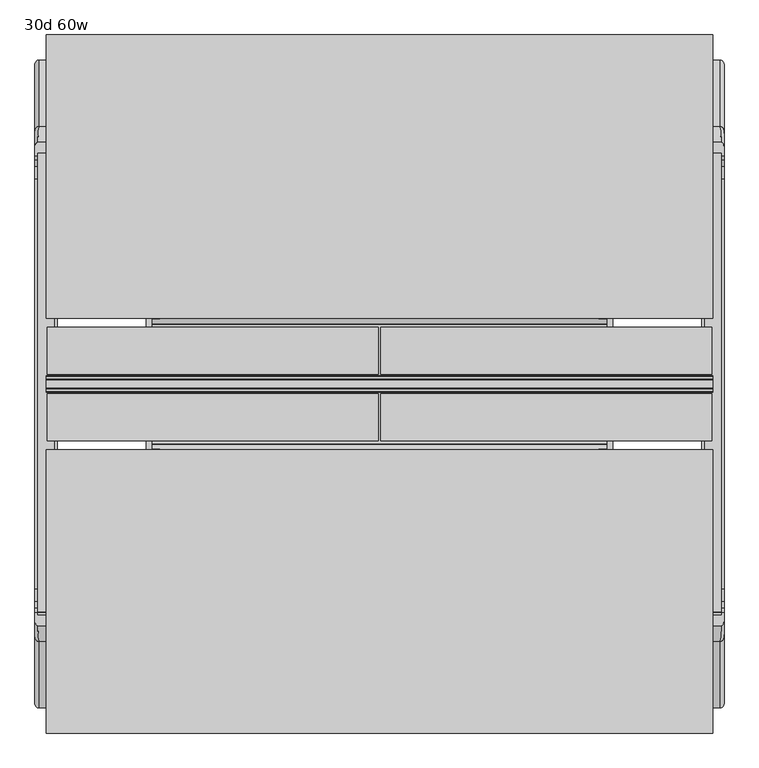
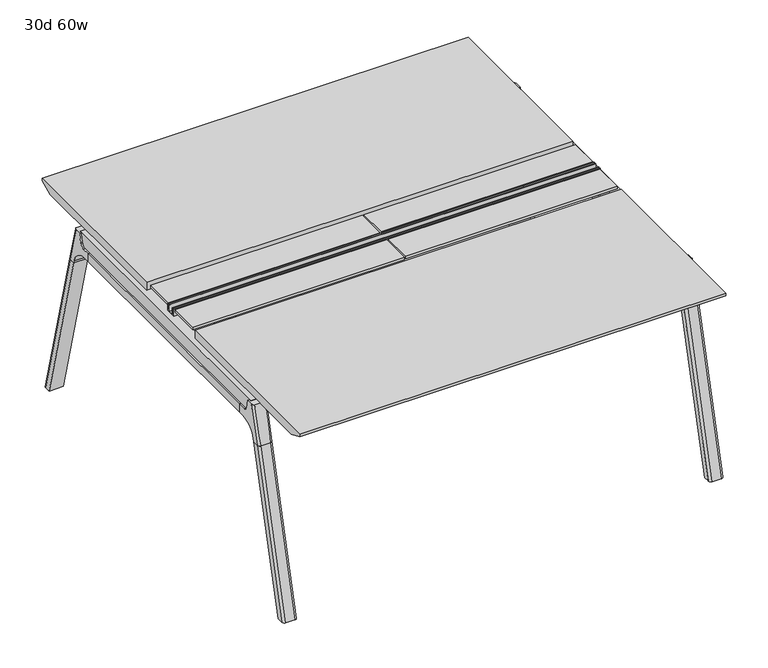
"""IFC4 building model written with IfcOpenShell, lengths in millimetres: furniture geometry, 30d 60w."""

import ifcopenshell
import ifcopenshell.guid

model = None  # the IFC model being written
_history = None  # IfcOwnerHistory: only IFC2X3 demands one
_inside = {}  # id of a spatial element -> (the spatial element, [elements in it])
_under = {}  # id of a project, library or spatial element -> (it, [spatial elements below it])
_declared = {}  # id of a project -> (the project, [libraries it declares])
_typed = {}  # id of a type object -> (the type object, [elements of that type])
_made_of = {}  # id of a material, layer set ... -> (it, [elements and type objects made of it])


def new_model(schema):
    """Start an empty IFC model of exactly this schema.

    Asked for "IFC4X3", IfcOpenShell would pick the latest addendum, in which some entities
    have other attributes; the version numbers below select the first issue.
    IFC2X3 requires an IfcOwnerHistory on every rooted entity: one is made here for all.
    """
    global model, _history
    if schema == "IFC4X3":
        model = ifcopenshell.file(schema_version=(4, 3, 0, 0))
    else:
        model = ifcopenshell.file(schema=schema)
    _inside.clear()
    _under.clear()
    _declared.clear()
    _typed.clear()
    _made_of.clear()
    _history = None
    if model.schema == "IFC2X3":
        org = make("IfcOrganization", Name="unknown")
        user = make(
            "IfcPersonAndOrganization",
            ThePerson=make("IfcPerson", FamilyName="unknown"),
            TheOrganization=org,
        )
        app = make(
            "IfcApplication",
            ApplicationDeveloper=org,
            Version="unknown",
            ApplicationFullName="unknown",
            ApplicationIdentifier="unknown",
        )
        _history = make(
            "IfcOwnerHistory",
            OwningUser=user,
            OwningApplication=app,
            ChangeAction="ADDED",
            CreationDate=0,
        )
    return model


def make(cls, **values):
    """One entity of the class cls with the attributes given. An attribute that is None is left unset."""
    return model.create_entity(
        cls, **{name: value for name, value in values.items() if value is not None}
    )


def rooted(cls, **values):
    """An entity with a GlobalId (a new one), such as an element, a storey or a relation."""
    return make(cls, GlobalId=ifcopenshell.guid.new(), OwnerHistory=_history, **values)


def si_unit(unit_type, name, prefix=None):
    """IfcSIUnit, for example si_unit("LENGTHUNIT", "METRE", prefix="MILLI")."""
    return make("IfcSIUnit", UnitType=unit_type, Prefix=prefix, Name=name)


def assignment(units):
    """IfcUnitAssignment: the units of a project."""
    return None if units is None else make("IfcUnitAssignment", Units=units)


def point(xyz):
    """IfcCartesianPoint."""
    return None if xyz is None else make("IfcCartesianPoint", Coordinates=xyz)


def direction(xyz):
    """IfcDirection."""
    return None if xyz is None else make("IfcDirection", DirectionRatios=xyz)


def frame(location, z_axis=None, x_axis=None):
    """IfcAxis2Placement3D, a coordinate frame: its origin and axes. An axis left out is left unset."""
    return make(
        "IfcAxis2Placement3D",
        Location=point(location),
        Axis=direction(z_axis),
        RefDirection=direction(x_axis),
    )


def frame_2d(location, x_axis=None):
    """IfcAxis2Placement2D, a coordinate frame in the plane: its origin and x axis."""
    return make(
        "IfcAxis2Placement2D", Location=point(location), RefDirection=direction(x_axis)
    )


def origin():
    """The frame at (0, 0, 0) with its axes left unset."""
    return frame((0.0, 0.0, 0.0))


def place(relative_to, where):
    """IfcLocalPlacement: puts the frame where relative to a parent placement (None: the world)."""
    return make(
        "IfcLocalPlacement", PlacementRelTo=relative_to, RelativePlacement=where
    )


def context(
    kind, dimensions, precision=None, world=None, true_north=None, identifier=None
):
    """IfcGeometricRepresentationContext, for example the 3D "Model" context."""
    return make(
        "IfcGeometricRepresentationContext",
        ContextIdentifier=identifier,
        ContextType=kind,
        CoordinateSpaceDimension=dimensions,
        Precision=precision,
        WorldCoordinateSystem=world,
        TrueNorth=true_north,
    )


def project(units=None, contexts=None):
    """IfcProject with its units and contexts."""
    return rooted(
        "IfcProject",
        Name="project",
        RepresentationContexts=contexts,
        UnitsInContext=assignment(units),
    )


def spatial(cls, under=None, at=None, **own):
    """A site, building, storey or space (cls), placed at a placement, below another one or the project."""
    s = rooted(cls, ObjectPlacement=at, **own)
    if under is not None:
        _under.setdefault(under.id(), (under, []))[1].append(s)
    return s


def polyline(points):
    """IfcPolyline through the points."""
    return make("IfcPolyline", Points=[point(p) for p in points])


def circle_curve(where, radius):
    """IfcCircle in the frame where."""
    return make("IfcCircle", Position=where, Radius=radius)


def ellipse_curve(where, semi_axis1, semi_axis2):
    """IfcEllipse in the frame where."""
    return make(
        "IfcEllipse", Position=where, SemiAxis1=semi_axis1, SemiAxis2=semi_axis2
    )


def trimmed(basis, trim1, trim2, sense, master):
    """IfcTrimmedCurve: the piece of a basis curve between two trims."""
    return make(
        "IfcTrimmedCurve",
        BasisCurve=basis,
        Trim1=trim1,
        Trim2=trim2,
        SenseAgreement=sense,
        MasterRepresentation=master,
    )


def segment(curve, same_sense, transition):
    """IfcCompositeCurveSegment."""
    return make(
        "IfcCompositeCurveSegment",
        Transition=transition,
        SameSense=same_sense,
        ParentCurve=curve,
    )


def composite_curve(segments, self_intersect=None):
    """IfcCompositeCurve: segments joined end to end."""
    return make("IfcCompositeCurve", Segments=segments, SelfIntersect=self_intersect)


def outline(outer, holes=None, kind="AREA"):
    """IfcArbitraryClosedProfileDef: a profile drawn as a closed curve; with holes, ...WithVoids."""
    if holes is None:
        return make("IfcArbitraryClosedProfileDef", ProfileType=kind, OuterCurve=outer)
    return make(
        "IfcArbitraryProfileDefWithVoids",
        ProfileType=kind,
        OuterCurve=outer,
        InnerCurves=holes,
    )


def extrude(swept, where, along, depth):
    """IfcExtrudedAreaSolid: the profile swept, set in the frame where, extruded along a direction by depth."""
    return make(
        "IfcExtrudedAreaSolid",
        SweptArea=swept,
        Position=where,
        ExtrudedDirection=direction(along),
        Depth=depth,
    )


def shape(context_of_items, identifier, shape_type, items):
    """IfcShapeRepresentation: the items that make up one representation, for example the "Body"."""
    return make(
        "IfcShapeRepresentation",
        ContextOfItems=context_of_items,
        RepresentationIdentifier=identifier,
        RepresentationType=shape_type,
        Items=items,
    )


def source(mapping_origin, context_of_items, identifier, shape_type, items):
    """IfcRepresentationMap: a shape defined once, which mapped items show again and again."""
    return make(
        "IfcRepresentationMap",
        MappingOrigin=mapping_origin,
        MappedRepresentation=shape(context_of_items, identifier, shape_type, items),
    )


def transform(
    local_origin,
    x_axis=None,
    y_axis=None,
    z_axis=None,
    scale=None,
    scale2=None,
    scale3=None,
    uniform=True,
):
    """IfcCartesianTransformationOperator3D, or its non-uniform kind. x_axis, y_axis, z_axis: its Axis1, 2, 3."""
    if uniform:
        return make(
            "IfcCartesianTransformationOperator3D",
            Axis1=direction(x_axis),
            Axis2=direction(y_axis),
            LocalOrigin=point(local_origin),
            Scale=scale,
            Axis3=direction(z_axis),
        )
    return make(
        "IfcCartesianTransformationOperator3DnonUniform",
        Axis1=direction(x_axis),
        Axis2=direction(y_axis),
        LocalOrigin=point(local_origin),
        Scale=scale,
        Axis3=direction(z_axis),
        Scale2=scale2,
        Scale3=scale3,
    )


def mapped(mapping_source, mapping_target):
    """IfcMappedItem: shows the shape of a source again, moved by a transform."""
    return make(
        "IfcMappedItem", MappingSource=mapping_source, MappingTarget=mapping_target
    )


def made_of(thing, what):
    """Note that an element or type object is made of a material, layer set ...; save() writes the relation."""
    if what is not None:
        _made_of.setdefault(what.id(), (what, []))[1].append(thing)
    return thing


def element(
    cls,
    number,
    at=None,
    inside=None,
    cuts=None,
    type_object=None,
    material=None,
    context=None,
    identifier="Body",
    shape_type=None,
    held_by="IfcProductDefinitionShape",
    body=None,
    shapes=None,
    **own,
):
    """One element of the class cls, such as IfcWall. Its Tag is "e" and its number.

    at: its placement. inside: the storey or other place that contains it. cuts: it is an
    opening in that element (IfcRelVoidsElement). A single representation is given by context,
    identifier, shape_type and body (its items); several are given by shapes. held_by: the class
    of the entity that holds the representations. save() writes the other relations.
    """
    e = rooted(cls, Tag="e%d" % number, ObjectPlacement=at, **own)
    if body is not None:
        shapes = [shape(context, identifier, shape_type, body)]
    if shapes is not None:
        e.Representation = make(held_by, Representations=shapes)
    if inside is not None:
        _inside.setdefault(inside.id(), (inside, []))[1].append(e)
    if cuts is not None:
        rooted(
            "IfcRelVoidsElement", RelatingBuildingElement=cuts, RelatedOpeningElement=e
        )
    if type_object is not None:
        _typed.setdefault(type_object.id(), (type_object, []))[1].append(e)
    return made_of(e, material)


def aggregate(whole, parts):
    """IfcRelAggregates: a whole, such as a stair, and the parts it consists of."""
    return rooted("IfcRelAggregates", RelatingObject=whole, RelatedObjects=parts)


def save(model, path):
    """Write the relations noted so far, then the file.

    IfcRelAggregates (storeys below a building ...), IfcRelContainedInSpatialStructure (elements
    in a storey), IfcRelDefinesByType, IfcRelAssociatesMaterial and IfcRelDeclares: one each for
    every whole, place, type object, material and project.
    """
    for whole, parts in _under.values():
        aggregate(whole, parts)
    for where, things in _inside.values():
        rooted(
            "IfcRelContainedInSpatialStructure",
            RelatedElements=things,
            RelatingStructure=where,
        )
    for kind, things in _typed.values():
        rooted("IfcRelDefinesByType", RelatedObjects=things, RelatingType=kind)
    for what, things in _made_of.values():
        rooted("IfcRelAssociatesMaterial", RelatedObjects=things, RelatingMaterial=what)
    for by, libraries in _declared.values():
        rooted("IfcRelDeclares", RelatingContext=by, RelatedDefinitions=libraries)
    model.write(path)


def plane_surface(at):
    """IfcPlane: the flat surface through the origin of the frame at, square to its z axis."""
    return make("IfcPlane", Position=at)


def cylinder_surface(at, radius):
    """IfcCylindricalSurface: all points at the distance radius from the z axis of the frame at."""
    return make("IfcCylindricalSurface", Position=at, Radius=radius)


def revolved_surface(curve, axis_point, axis_direction):
    """IfcSurfaceOfRevolution: the curve turned about the line through axis_point along axis_direction."""
    return make(
        "IfcSurfaceOfRevolution",
        SweptCurve=make("IfcArbitraryOpenProfileDef", ProfileType="CURVE", Curve=curve),
        AxisPosition=make("IfcAxis1Placement", Location=point(axis_point), Axis=direction(axis_direction)),
    )


def advanced_brep(points, edges, surfaces, faces):
    """IfcAdvancedBrep: a solid bounded by faces that lie on surfaces and meet in shared edges.

    An edge is (start, end): straight between two places in points (the first is 0);
    or (start, end, curve); or (start, end, curve, False) where it runs against its curve.
    A face is (place in surfaces, loops), or (place, loops, False) where it looks against
    its surface's normal. A loop lists edges by number (the first is 1), with a minus sign
    where the edge is run from its end to its start. The first loop is the outer one.
    """
    corners = [point(p) for p in points]
    vertices = [make("IfcVertexPoint", VertexGeometry=c) for c in corners]
    made = []
    for start, end, *more in edges:
        made.append(
            make(
                "IfcEdgeCurve",
                EdgeStart=vertices[start],
                EdgeEnd=vertices[end],
                EdgeGeometry=more[0] if more else make("IfcPolyline", Points=[corners[start], corners[end]]),
                SameSense=more[1] if len(more) > 1 else True,
            )
        )
    hull = []
    for where, loops, *sense in faces:
        bounds = []
        for j, loop in enumerate(loops):
            ring = [make("IfcOrientedEdge", EdgeElement=made[abs(k) - 1], Orientation=k > 0) for k in loop]
            bounds.append(
                make(
                    "IfcFaceOuterBound" if j == 0 else "IfcFaceBound",
                    Bound=make("IfcEdgeLoop", EdgeList=ring),
                    Orientation=True,
                )
            )
        hull.append(make("IfcAdvancedFace", Bounds=bounds, FaceSurface=surfaces[where], SameSense=sense[0] if sense else True))
    return make("IfcAdvancedBrep", Outer=make("IfcClosedShell", CfsFaces=hull))


def furniture_30d_60w_d568743b(model_context):
    return source(origin(), model_context, "Body", "SolidModel", [
        extrude(outline(polyline([(-348.9784469, 559.4636683), (-364.040663, 627.7843353), (-35.4662901, 627.7843353), (-50.5285062, 559.4636683), (-46.7502281, 557.2647146), (-46.7502281, 549.3667827), (-62.6252238, 521.8704736), (-336.8817293, 521.8704736), (-352.756725, 549.3667827), (-352.756725, 557.2647146), (-348.9784469, 559.4636683)])), frame((736.6, 0.0, 0.0), z_axis=(1.0, 0.0, 0.0), x_axis=(0.0, 1.0, 0.0)), (0.0, 0.0, 1.0), 12.7),
        extrude(outline(polyline([(-348.9784469, 559.4636683), (-364.040663, 627.7843353), (-35.4662901, 627.7843353), (-50.5285062, 559.4636683), (-46.7502281, 557.2647146), (-46.7502281, 549.3667827), (-62.6252238, 521.8704736), (-336.8817293, 521.8704736), (-352.756725, 549.3667827), (-352.756725, 557.2647146), (-348.9784469, 559.4636683)])), frame((-317.5, 0.0, 0.0), z_axis=(1.0, 0.0, 0.0), x_axis=(0.0, 1.0, 0.0)), (0.0, 0.0, 1.0), 12.7),
        extrude(outline(polyline([(-18.0090763, 698.5), (3.7767266, 698.5), (3.7767266, 697.2935087), (-17.4495292, 697.2935087), (-19.0070753, 695.7359626), (-49.1186716, 559.1528512), (-50.5285062, 559.4636683), (-20.404074, 696.1050023), (-18.0090763, 698.5)])), frame((-317.5, 0.0, 0.0), z_axis=(1.0, 0.0, 0.0), x_axis=(0.0, 1.0, 0.0)), (0.0, 0.0, 1.0), 31.8008024),
        extrude(outline(polyline([(-381.4978768, 698.5), (-379.1028791, 696.1050023), (-348.9784469, 559.4636683), (-350.3882815, 559.1528512), (-380.4998778, 695.7359626), (-382.0574239, 697.2935087), (-403.2836797, 697.2935087), (-403.2836797, 698.5), (-381.4978768, 698.5)])), frame((-317.5, 0.0, 0.0), z_axis=(1.0, 0.0, 0.0), x_axis=(0.0, 1.0, 0.0)), (0.0, 0.0, 1.0), 31.8008024),
        extrude(outline(polyline([(-18.0090763, 698.5), (3.7767266, 698.5), (3.7767266, 697.2935087), (-17.4495292, 697.2935087), (-19.0070753, 695.7359626), (-49.1186716, 559.1528512), (-50.5285062, 559.4636683), (-20.404074, 696.1050023), (-18.0090763, 698.5)])), frame((717.4991976, 0.0, 0.0), z_axis=(1.0, 0.0, 0.0), x_axis=(0.0, 1.0, 0.0)), (0.0, 0.0, 1.0), 31.8008024),
        extrude(outline(polyline([(-381.4978768, 698.5), (-379.1028791, 696.1050023), (-348.9784469, 559.4636683), (-350.3882815, 559.1528512), (-380.4998778, 695.7359626), (-382.0574239, 697.2935087), (-403.2836797, 697.2935087), (-403.2836797, 698.5), (-381.4978768, 698.5)])), frame((717.4991976, 0.0, 0.0), z_axis=(1.0, 0.0, 0.0), x_axis=(0.0, 1.0, 0.0)), (0.0, 0.0, 1.0), 31.8008024),
        extrude(outline(polyline([(-353.550475, 557.5934966), (-351.518477, 559.6254947), (-350.957211, 559.0642287), (-352.756725, 557.2647146), (-352.756725, 549.3667827), (-352.5317745, 548.5272622), (-337.4390802, 522.3859395), (-336.0037101, 521.5572272), (-63.503243, 521.5572272), (-62.0678729, 522.3859395), (-46.9751786, 548.5272622), (-46.7502281, 549.3667827), (-46.7502281, 557.2647146), (-48.5497421, 559.0642287), (-47.9884761, 559.6254947), (-45.9564781, 557.5934966), (-45.9564781, 549.2622828), (-46.2355217, 548.2208856), (-61.4868074, 521.8048744), (-63.2905581, 520.7634772), (-336.216395, 520.7634772), (-338.0201457, 521.8048744), (-353.2714314, 548.2208856), (-353.550475, 549.2622828), (-353.550475, 557.5934966)])), frame((-317.4492037, 0.0, 0.0), z_axis=(1.0, 0.0, 0.0), x_axis=(0.0, 1.0, 0.0)), (0.0, 0.0, 1.0), 1066.7492037),
        extrude(outline(polyline([(-218.8034766, 715.9625), (-218.8034766, 741.3625), (-217.2159766, 741.3625), (-217.2159766, 720.725), (-210.8659766, 720.725), (-210.8659766, 741.3625), (-209.2784766, 741.3625), (-209.2784766, 717.55), (-190.2284766, 717.55), (-190.2284766, 741.3625), (-188.6409766, 741.3625), (-188.6409766, 720.725), (-182.2909766, 720.725), (-182.2909766, 741.3625), (-180.7034766, 741.3625), (-180.7034766, 715.9625), (-218.8034766, 715.9625)])), frame((-546.1, 0.0, 0.0), z_axis=(1.0, 0.0, 0.0), x_axis=(0.0, 1.0, 0.0)), (0.0, 0.0, 1.0), 1524.0),
        extrude(outline(composite_curve([segment(polyline([(328.0902734, 711.2), (319.0321726, 677.3947076)]), True, "CONTINUOUS"), segment(trimmed(circle_curve(frame_2d((303.6981001, 681.5034599)), 15.875), [point((319.0321726, 677.3947076))], [point((303.6981001, 665.6284599))], False, "CARTESIAN"), True, "CONTINUOUS"), segment(polyline([(303.6981001, 665.6284599), (-703.2050533, 665.6284599)]), True, "CONTINUOUS"), segment(trimmed(circle_curve(frame_2d((-703.2050533, 681.5034599)), 15.875), [point((-703.2050533, 665.6284599))], [point((-718.5391258, 677.3947076))], False, "CARTESIAN"), True, "CONTINUOUS"), segment(polyline([(-718.5391258, 677.3947076), (-727.5972266, 711.2), (328.0902734, 711.2)]), True, "CONTINUOUS")], self_intersect=False)), frame((958.85, 0.0, 0.0), z_axis=(1.0, 0.0, 0.0), x_axis=(0.0, 1.0, 0.0)), (0.0, 0.0, 1.0), 38.1),
        extrude(outline(polyline([(1003.3, 267.7652734), (1003.3, -667.2722266), (952.5, -667.2722266), (952.5, 267.7652734), (1003.3, 267.7652734)])), frame((0.0, 0.0, 635.6476591), z_axis=(0.0, 0.0, 1.0), x_axis=(1.0, 0.0, 0.0)), (0.0, 0.0, 1.0), 29.9808008),
        extrude(outline(composite_curve([segment(polyline([(328.0902734, 711.2), (319.0321726, 677.3947076)]), True, "CONTINUOUS"), segment(trimmed(circle_curve(frame_2d((303.6981001, 681.5034599)), 15.875), [point((319.0321726, 677.3947076))], [point((303.6981001, 665.6284599))], False, "CARTESIAN"), True, "CONTINUOUS"), segment(polyline([(303.6981001, 665.6284599), (-703.2050533, 665.6284599)]), True, "CONTINUOUS"), segment(trimmed(circle_curve(frame_2d((-703.2050533, 681.5034599)), 15.875), [point((-703.2050533, 665.6284599))], [point((-718.5391258, 677.3947076))], False, "CARTESIAN"), True, "CONTINUOUS"), segment(polyline([(-718.5391258, 677.3947076), (-727.5972266, 711.2), (328.0902734, 711.2)]), True, "CONTINUOUS")], self_intersect=False)), frame((-565.15, 0.0, 0.0), z_axis=(1.0, 0.0, 0.0), x_axis=(0.0, 1.0, 0.0)), (0.0, 0.0, 1.0), 38.1),
        extrude(outline(polyline([(-520.7, 267.7652734), (-520.7, -667.2722266), (-571.5, -667.2722266), (-571.5, 267.7652734), (-520.7, 267.7652734)])), frame((0.0, 0.0, 635.6476591), z_axis=(0.0, 0.0, 1.0), x_axis=(1.0, 0.0, 0.0)), (0.0, 0.0, 1.0), 29.9808008),
        advanced_brep(
        [(952.5, -721.2935553, 711.2), (952.5, -712.2354545, 677.3947076), (952.5, -696.901382, 665.6284599), (952.5, -667.2722266, 665.6284599), (952.5, -667.2722266, 635.6476591), (952.5, -690.1434588, 635.6476591), (952.5, -754.5465633, 586.2294189), (952.5, -757.1047754, 576.6820411), (952.5, -778.2087453, 576.6820411), (952.5, -742.7601017, 711.2), (1003.3, -757.1047754, 576.6820411), (1003.3, -754.5465633, 586.2294189), (1003.3, -690.1434588, 635.6476591), (1003.3, -667.2722266, 635.6476591), (1003.3, -667.2722266, 665.6284599), (1003.3, -696.901382, 665.6284599), (1003.3, -712.2354545, 677.3947076), (1003.3, -721.2935553, 711.2), (1003.3, -742.7601017, 711.2), (1003.3, -778.2087453, 576.6820411), (958.7638162, -752.0149462, 711.2), (997.0361838, -752.0149462, 711.2), (993.775, -788.0589247, 576.6820411), (962.025, -788.0589247, 576.6820411)],
        [
            (0, 1),
            (1, 2, circle_curve(frame((952.5, -696.901382, 681.5034599), z_axis=(1.0, 0.0, 0.0), x_axis=(0.0, -1.0, 0.0)), 15.875)),
            (2, 3),
            (3, 4),
            (4, 5),
            (5, 6, circle_curve(frame((952.5, -690.1434588, 568.9726591), z_axis=(1.0, 0.0, 0.0), x_axis=(0.0, -1.0, 0.0)), 66.675)),
            (6, 7),
            (7, 8),
            (8, 9),
            (9, 0),
            (10, 11),
            (11, 12, circle_curve(frame((1003.3, -690.1434588, 568.9726591), z_axis=(-1.0, 0.0, 0.0), x_axis=(0.0, -1.0, 0.0)), 66.675)),
            (12, 13),
            (13, 14),
            (14, 15),
            (15, 16, circle_curve(frame((1003.3, -696.901382, 681.5034599), z_axis=(-1.0, 0.0, 0.0), x_axis=(0.0, -1.0, 0.0)), 15.875)),
            (16, 17),
            (17, 18),
            (18, 19),
            (19, 10),
            (17, 0),
            (9, 20, ellipse_curve(frame((962.025, -742.7601017, 711.2), z_axis=(0.0, 0.0, 1.0), x_axis=(0.0, -1.0, 0.0)), 9.8501793, 9.525)),
            (20, 21),
            (21, 18, ellipse_curve(frame((993.775, -742.7601017, 711.2), z_axis=(0.0, 0.0, 1.0), x_axis=(0.0, -1.0, 0.0)), 9.8501793, 9.525)),
            (16, 1),
            (15, 2),
            (14, 3),
            (13, 4),
            (12, 5),
            (11, 6),
            (10, 7),
            (19, 22, ellipse_curve(frame((993.775, -778.2087453, 576.6820411), z_axis=(0.0, 0.0, -1.0), x_axis=(0.0, -1.0, 0.0)), 9.8501793, 9.525)),
            (22, 23),
            (23, 8, ellipse_curve(frame((962.025, -778.2087453, 576.6820411), z_axis=(0.0, 0.0, -1.0), x_axis=(0.0, -1.0, 0.0)), 9.8501793, 9.525)),
            (20, 23, ellipse_curve(frame((962.025, -191.6892106, 2802.3641142), z_axis=(0.0, -0.9659258262890684, 0.2588190451025206), x_axis=(0.0, -0.2588190451025206, -0.9659258262890684)), 2304.1956354, 9.525)),
            (22, 21, ellipse_curve(frame((993.775, -191.6892106, 2802.3641142), z_axis=(0.0, -0.9659258262890684, 0.2588190451025206), x_axis=(0.0, -0.2588190451025206, -0.9659258262890684)), 2304.1956354, 9.525)),
        ],
        [
            plane_surface(frame((952.5, -752.0149462, 711.2), z_axis=(-1.0, 0.0, 0.0), x_axis=(0.0, 1.0, 0.0))),
            plane_surface(frame((1003.3, -752.0149462, 711.2), z_axis=(1.0, 0.0, 0.0), x_axis=(0.0, -1.0, 0.0))),
            plane_surface(frame((952.5, -752.0149462, 711.2), z_axis=(0.0, 0.0, 1.0), x_axis=(1.0, 0.0, 0.0))),
            plane_surface(frame((952.5, -721.2935553, 711.2), z_axis=(0.0, 0.9659258262890683, 0.2588190451025207), x_axis=(1.0, 0.0, 0.0))),
            revolved_surface(polyline([(1003.3, -712.776382, 681.5034599), (952.5, -712.776382, 681.5034599)]), (1003.3, -696.901382, 681.5034599), (1.0, 0.0, 0.0)),
            plane_surface(frame((952.5, -696.901382, 665.6284599), z_axis=(0.0, 0.0, 1.0), x_axis=(1.0, 0.0, 0.0))),
            plane_surface(frame((952.5, -667.2722266, 665.6284599), z_axis=(0.0, 1.0, 0.0), x_axis=(1.0, 0.0, 0.0))),
            plane_surface(frame((952.5, -667.2722266, 635.6476591), z_axis=(0.0, 0.0, -1.0), x_axis=(1.0, 0.0, 0.0))),
            revolved_surface(polyline([(1003.3, -756.8184587999999, 568.9726591), (952.5, -756.8184587999999, 568.9726591)]), (1003.3, -690.1434588, 568.9726591), (1.0, 0.0, 0.0)),
            plane_surface(frame((952.5, -754.5465633, 586.2294189), z_axis=(0.0, 0.9659258262890693, -0.25881904510251696), x_axis=(1.0, 0.0, 0.0))),
            plane_surface(frame((952.5, -757.1047754, 576.6820411), z_axis=(0.0, 0.0, -1.0), x_axis=(1.0, 0.0, 0.0))),
            plane_surface(frame((952.5, -788.0589247, 576.6820411), z_axis=(0.0, -0.9659258262890684, 0.2588190451025206), x_axis=(1.0, 0.0, 0.0))),
            cylinder_surface(frame((962.025, -930.8176402, -2.4271979), z_axis=(0.0, -0.25482392474081483, -0.966987470125486), x_axis=(1.0, 0.0, 0.0)), 9.525),
            cylinder_surface(frame((993.775, -930.8176402, -2.4271979), z_axis=(0.0, -0.25482392474081483, -0.966987470125486), x_axis=(1.0, 0.0, 0.0)), 9.525),
        ],
        [
            (0, [[1, 2, 3, 4, 5, 6, 7, 8, 9, 10]]),
            (1, [[11, 12, 13, 14, 15, 16, 17, 18, 19, 20]]),
            (2, [[21, -10, 22, 23, 24, -18]]),
            (3, [[-1, -21, -17, 25]]),
            (4, [[-2, -25, -16, 26]]),
            (5, [[-3, -26, -15, 27]]),
            (6, [[-4, -27, -14, 28]]),
            (7, [[-5, -28, -13, 29]]),
            (8, [[-6, -29, -12, 30]]),
            (9, [[-7, -30, -11, 31]]),
            (10, [[-31, -20, 32, 33, 34, -8]]),
            (11, [[-23, 35, -33, 36]]),
            (12, [[-9, -34, -35, -22]]),
            (13, [[-19, -24, -36, -32]]),
        ],
    ),
        advanced_brep(
        [(952.5, -757.1047754, 576.6820411), (952.5, -909.0740466, 0.0), (952.5, -930.1780165, 0.0), (952.5, -778.2087453, 576.6820411), (1003.3, -909.0740466, 0.0), (1003.3, -757.1047754, 576.6820411), (1003.3, -778.2087453, 576.6820411), (1003.3, -930.1780165, 0.0), (962.025, -788.0589247, 576.6820411), (993.775, -788.0589247, 576.6820411), (993.775, -940.0281958, 0.0), (962.025, -940.0281958, 0.0)],
        [
            (0, 1),
            (1, 2),
            (2, 3),
            (3, 0),
            (4, 5),
            (5, 6),
            (6, 7),
            (7, 4),
            (5, 0),
            (3, 8, ellipse_curve(frame((962.025, -778.2087453, 576.6820411), z_axis=(0.0, 0.0, 1.0), x_axis=(0.0, -1.0, 0.0)), 9.8501793, 9.525)),
            (8, 9),
            (9, 6, ellipse_curve(frame((993.775, -778.2087453, 576.6820411), z_axis=(0.0, 0.0, 1.0), x_axis=(0.0, -1.0, 0.0)), 9.8501793, 9.525)),
            (4, 1),
            (7, 10, ellipse_curve(frame((993.775, -930.1780165, 0.0), z_axis=(0.0, 0.0, -1.0), x_axis=(0.0, -1.0, 0.0)), 9.8501793, 9.525)),
            (10, 11),
            (11, 2, ellipse_curve(frame((962.025, -930.1780165, 0.0), z_axis=(0.0, 0.0, -1.0), x_axis=(0.0, -1.0, 0.0)), 9.8501793, 9.525)),
            (8, 11),
            (10, 9),
        ],
        [
            plane_surface(frame((952.5, -788.0589247, 576.6820411), z_axis=(-1.0, 0.0, 0.0), x_axis=(0.0, 1.0, 0.0))),
            plane_surface(frame((1003.3, -788.0589247, 576.6820411), z_axis=(1.0, 0.0, 0.0), x_axis=(0.0, -1.0, 0.0))),
            plane_surface(frame((952.5, -788.0589247, 576.6820411), z_axis=(0.0, 0.0, 1.0), x_axis=(1.0, 0.0, 0.0))),
            plane_surface(frame((952.5, -757.1047754, 576.6820411), z_axis=(0.0, 0.9669874701254844, -0.2548239247408208), x_axis=(1.0, 0.0, 0.0))),
            plane_surface(frame((952.5, -909.0740466, 0.0), z_axis=(0.0, 0.0, -1.0), x_axis=(1.0, 0.0, 0.0))),
            plane_surface(frame((952.5, -940.0281958, 0.0), z_axis=(0.0, -0.9669874701254855, 0.2548239247408166), x_axis=(1.0, 0.0, 0.0))),
            cylinder_surface(frame((962.025, -930.8176402, -2.4271979), z_axis=(0.0, -0.25482392474081483, -0.966987470125486), x_axis=(1.0, 0.0, 0.0)), 9.525),
            cylinder_surface(frame((993.775, -930.8176402, -2.4271979), z_axis=(0.0, -0.25482392474081483, -0.966987470125486), x_axis=(1.0, 0.0, 0.0)), 9.525),
        ],
        [
            (0, [[1, 2, 3, 4]]),
            (1, [[5, 6, 7, 8]]),
            (2, [[9, -4, 10, 11, 12, -6]]),
            (3, [[-1, -9, -5, 13]]),
            (4, [[-13, -8, 14, 15, 16, -2]]),
            (5, [[-11, 17, -15, 18]]),
            (6, [[-3, -16, -17, -10]]),
            (7, [[-7, -12, -18, -14]]),
        ],
    ),
        advanced_brep(
        [(1003.3, 321.7866022, 711.2), (1003.3, 312.7285014, 677.3947076), (1003.3, 297.3944289, 665.6284599), (1003.3, 267.7652734, 665.6284599), (1003.3, 267.7652734, 635.6476591), (1003.3, 290.6365057, 635.6476591), (1003.3, 355.0396101, 586.2294189), (1003.3, 357.5978223, 576.6820411), (1003.3, 378.7017922, 576.6820411), (1003.3, 343.2531486, 711.2), (952.5, 357.5978223, 576.6820411), (952.5, 355.0396101, 586.2294189), (952.5, 290.6365057, 635.6476591), (952.5, 267.7652734, 635.6476591), (952.5, 267.7652734, 665.6284599), (952.5, 297.3944289, 665.6284599), (952.5, 312.7285014, 677.3947076), (952.5, 321.7866022, 711.2), (952.5, 343.2531486, 711.2), (952.5, 378.7017922, 576.6820411), (997.0361838, 352.5079931, 711.2), (958.7638162, 352.5079931, 711.2), (962.025, 388.5519716, 576.6820411), (993.775, 388.5519716, 576.6820411)],
        [
            (0, 1),
            (1, 2, circle_curve(frame((1003.3, 297.3944289, 681.5034599), z_axis=(-1.0, 0.0, 0.0), x_axis=(0.0, 1.0, 0.0)), 15.875)),
            (2, 3),
            (3, 4),
            (4, 5),
            (5, 6, circle_curve(frame((1003.3, 290.6365057, 568.9726591), z_axis=(-1.0, 0.0, 0.0), x_axis=(0.0, 1.0, 0.0)), 66.675)),
            (6, 7),
            (7, 8),
            (8, 9),
            (9, 0),
            (10, 11),
            (11, 12, circle_curve(frame((952.5, 290.6365057, 568.9726591), z_axis=(1.0, 0.0, 0.0), x_axis=(0.0, 1.0, 0.0)), 66.675)),
            (12, 13),
            (13, 14),
            (14, 15),
            (15, 16, circle_curve(frame((952.5, 297.3944289, 681.5034599), z_axis=(1.0, 0.0, 0.0), x_axis=(0.0, 1.0, 0.0)), 15.875)),
            (16, 17),
            (17, 18),
            (18, 19),
            (19, 10),
            (17, 0),
            (9, 20, ellipse_curve(frame((993.775, 343.2531486, 711.2), z_axis=(0.0, 0.0, 1.0), x_axis=(0.0, 1.0, 0.0)), 9.8501793, 9.525)),
            (20, 21),
            (21, 18, ellipse_curve(frame((962.025, 343.2531486, 711.2), z_axis=(0.0, 0.0, 1.0), x_axis=(0.0, 1.0, 0.0)), 9.8501793, 9.525)),
            (16, 1),
            (15, 2),
            (14, 3),
            (13, 4),
            (12, 5),
            (11, 6),
            (10, 7),
            (19, 22, ellipse_curve(frame((962.025, 378.7017922, 576.6820411), z_axis=(0.0, 0.0, -1.0), x_axis=(0.0, 1.0, 0.0)), 9.8501793, 9.525)),
            (22, 23),
            (23, 8, ellipse_curve(frame((993.775, 378.7017922, 576.6820411), z_axis=(0.0, 0.0, -1.0), x_axis=(0.0, 1.0, 0.0)), 9.8501793, 9.525)),
            (20, 23, ellipse_curve(frame((993.775, -207.8177425, 2802.3641142), z_axis=(0.0, 0.9659258262890684, 0.2588190451025206), x_axis=(0.0, 0.2588190451025206, -0.9659258262890684)), 2304.1956354, 9.525)),
            (22, 21, ellipse_curve(frame((962.025, -207.8177425, 2802.3641142), z_axis=(0.0, 0.9659258262890684, 0.2588190451025206), x_axis=(0.0, 0.2588190451025206, -0.9659258262890684)), 2304.1956354, 9.525)),
        ],
        [
            plane_surface(frame((1003.3, 352.5079931, 711.2), z_axis=(1.0, 0.0, 0.0), x_axis=(0.0, -1.0, 0.0))),
            plane_surface(frame((952.5, 352.5079931, 711.2), z_axis=(-1.0, 0.0, 0.0), x_axis=(0.0, 1.0, 0.0))),
            plane_surface(frame((1003.3, 352.5079931, 711.2), z_axis=(0.0, 0.0, 1.0), x_axis=(-1.0, 0.0, 0.0))),
            plane_surface(frame((1003.3, 321.7866022, 711.2), z_axis=(0.0, -0.9659258262890683, 0.2588190451025207), x_axis=(-1.0, 0.0, 0.0))),
            revolved_surface(polyline([(952.5, 313.2694289, 681.5034599), (1003.3, 313.2694289, 681.5034599)]), (952.5, 297.3944289, 681.5034599), (-1.0, 0.0, 0.0)),
            plane_surface(frame((1003.3, 297.3944289, 665.6284599), z_axis=(0.0, 0.0, 1.0), x_axis=(-1.0, 0.0, 0.0))),
            plane_surface(frame((1003.3, 267.7652734, 665.6284599), z_axis=(0.0, -1.0, 0.0), x_axis=(-1.0, 0.0, 0.0))),
            plane_surface(frame((1003.3, 267.7652734, 635.6476591), z_axis=(0.0, 0.0, -1.0), x_axis=(-1.0, 0.0, 0.0))),
            revolved_surface(polyline([(952.5, 357.3115057, 568.9726591), (1003.3, 357.3115057, 568.9726591)]), (952.5, 290.6365057, 568.9726591), (-1.0, 0.0, 0.0)),
            plane_surface(frame((1003.3, 355.0396101, 586.2294189), z_axis=(0.0, -0.9659258262890693, -0.25881904510251696), x_axis=(-1.0, 0.0, 0.0))),
            plane_surface(frame((1003.3, 357.5978223, 576.6820411), z_axis=(0.0, 0.0, -1.0), x_axis=(-1.0, 0.0, 0.0))),
            plane_surface(frame((1003.3, 388.5519716, 576.6820411), z_axis=(0.0, 0.9659258262890684, 0.2588190451025206), x_axis=(-1.0, 0.0, 0.0))),
            cylinder_surface(frame((993.775, 531.3106871, -2.4271979), z_axis=(0.0, 0.25482392474081483, -0.966987470125486), x_axis=(-1.0, 0.0, 0.0)), 9.525),
            cylinder_surface(frame((962.025, 531.3106871, -2.4271979), z_axis=(0.0, 0.25482392474081483, -0.966987470125486), x_axis=(-1.0, 0.0, 0.0)), 9.525),
        ],
        [
            (0, [[1, 2, 3, 4, 5, 6, 7, 8, 9, 10]]),
            (1, [[11, 12, 13, 14, 15, 16, 17, 18, 19, 20]]),
            (2, [[21, -10, 22, 23, 24, -18]]),
            (3, [[-1, -21, -17, 25]]),
            (4, [[-2, -25, -16, 26]]),
            (5, [[-3, -26, -15, 27]]),
            (6, [[-4, -27, -14, 28]]),
            (7, [[-5, -28, -13, 29]]),
            (8, [[-6, -29, -12, 30]]),
            (9, [[-7, -30, -11, 31]]),
            (10, [[-31, -20, 32, 33, 34, -8]]),
            (11, [[-23, 35, -33, 36]]),
            (12, [[-9, -34, -35, -22]]),
            (13, [[-19, -24, -36, -32]]),
        ],
    ),
        advanced_brep(
        [(1003.3, 357.5978223, 576.6820411), (1003.3, 509.5670935, 0.0), (1003.3, 530.6710634, 0.0), (1003.3, 378.7017922, 576.6820411), (952.5, 509.5670935, 0.0), (952.5, 357.5978223, 576.6820411), (952.5, 378.7017922, 576.6820411), (952.5, 530.6710634, 0.0), (993.775, 388.5519716, 576.6820411), (962.025, 388.5519716, 576.6820411), (962.025, 540.5212427, 0.0), (993.775, 540.5212427, 0.0)],
        [
            (0, 1),
            (1, 2),
            (2, 3),
            (3, 0),
            (4, 5),
            (5, 6),
            (6, 7),
            (7, 4),
            (5, 0),
            (3, 8, ellipse_curve(frame((993.775, 378.7017922, 576.6820411), z_axis=(0.0, 0.0, 1.0), x_axis=(0.0, 1.0, 0.0)), 9.8501793, 9.525)),
            (8, 9),
            (9, 6, ellipse_curve(frame((962.025, 378.7017922, 576.6820411), z_axis=(0.0, 0.0, 1.0), x_axis=(0.0, 1.0, 0.0)), 9.8501793, 9.525)),
            (4, 1),
            (7, 10, ellipse_curve(frame((962.025, 530.6710634, 0.0), z_axis=(0.0, 0.0, -1.0), x_axis=(0.0, 1.0, 0.0)), 9.8501793, 9.525)),
            (10, 11),
            (11, 2, ellipse_curve(frame((993.775, 530.6710634, 0.0), z_axis=(0.0, 0.0, -1.0), x_axis=(0.0, 1.0, 0.0)), 9.8501793, 9.525)),
            (8, 11),
            (10, 9),
        ],
        [
            plane_surface(frame((1003.3, 388.5519716, 576.6820411), z_axis=(1.0, 0.0, 0.0), x_axis=(0.0, -1.0, 0.0))),
            plane_surface(frame((952.5, 388.5519716, 576.6820411), z_axis=(-1.0, 0.0, 0.0), x_axis=(0.0, 1.0, 0.0))),
            plane_surface(frame((1003.3, 388.5519716, 576.6820411), z_axis=(0.0, 0.0, 1.0), x_axis=(-1.0, 0.0, 0.0))),
            plane_surface(frame((1003.3, 357.5978223, 576.6820411), z_axis=(0.0, -0.9669874701254844, -0.2548239247408208), x_axis=(-1.0, 0.0, 0.0))),
            plane_surface(frame((1003.3, 509.5670935, 0.0), z_axis=(0.0, 0.0, -1.0), x_axis=(-1.0, 0.0, 0.0))),
            plane_surface(frame((1003.3, 540.5212427, 0.0), z_axis=(0.0, 0.9669874701254855, 0.2548239247408166), x_axis=(-1.0, 0.0, 0.0))),
            cylinder_surface(frame((993.775, 531.3106871, -2.4271979), z_axis=(0.0, 0.25482392474081483, -0.966987470125486), x_axis=(-1.0, 0.0, 0.0)), 9.525),
            cylinder_surface(frame((962.025, 531.3106871, -2.4271979), z_axis=(0.0, 0.25482392474081483, -0.966987470125486), x_axis=(-1.0, 0.0, 0.0)), 9.525),
        ],
        [
            (0, [[1, 2, 3, 4]]),
            (1, [[5, 6, 7, 8]]),
            (2, [[9, -4, 10, 11, 12, -6]]),
            (3, [[-1, -9, -5, 13]]),
            (4, [[-13, -8, 14, 15, 16, -2]]),
            (5, [[-11, 17, -15, 18]]),
            (6, [[-3, -16, -17, -10]]),
            (7, [[-7, -12, -18, -14]]),
        ],
    ),
        advanced_brep(
        [(-520.7, 321.7866022, 711.2), (-520.7, 312.7285014, 677.3947076), (-520.7, 297.3944289, 665.6284599), (-520.7, 267.7652734, 665.6284599), (-520.7, 267.7652734, 635.6476591), (-520.7, 290.6365057, 635.6476591), (-520.7, 355.0396101, 586.2294189), (-520.7, 357.5978223, 576.6820411), (-520.7, 378.7017922, 576.6820411), (-520.7, 343.2531486, 711.2), (-571.5, 357.5978223, 576.6820411), (-571.5, 355.0396101, 586.2294189), (-571.5, 290.6365057, 635.6476591), (-571.5, 267.7652734, 635.6476591), (-571.5, 267.7652734, 665.6284599), (-571.5, 297.3944289, 665.6284599), (-571.5, 312.7285014, 677.3947076), (-571.5, 321.7866022, 711.2), (-571.5, 343.2531486, 711.2), (-571.5, 378.7017922, 576.6820411), (-526.9638162, 352.5079931, 711.2), (-565.2361838, 352.5079931, 711.2), (-561.975, 388.5519716, 576.6820411), (-530.225, 388.5519716, 576.6820411)],
        [
            (0, 1),
            (1, 2, circle_curve(frame((-520.7, 297.3944289, 681.5034599), z_axis=(-1.0, 0.0, 0.0), x_axis=(0.0, 1.0, 0.0)), 15.875)),
            (2, 3),
            (3, 4),
            (4, 5),
            (5, 6, circle_curve(frame((-520.7, 290.6365057, 568.9726591), z_axis=(-1.0, 0.0, 0.0), x_axis=(0.0, 1.0, 0.0)), 66.675)),
            (6, 7),
            (7, 8),
            (8, 9),
            (9, 0),
            (10, 11),
            (11, 12, circle_curve(frame((-571.5, 290.6365057, 568.9726591), z_axis=(1.0, 0.0, 0.0), x_axis=(0.0, 1.0, 0.0)), 66.675)),
            (12, 13),
            (13, 14),
            (14, 15),
            (15, 16, circle_curve(frame((-571.5, 297.3944289, 681.5034599), z_axis=(1.0, 0.0, 0.0), x_axis=(0.0, 1.0, 0.0)), 15.875)),
            (16, 17),
            (17, 18),
            (18, 19),
            (19, 10),
            (17, 0),
            (9, 20, ellipse_curve(frame((-530.225, 343.2531486, 711.2), z_axis=(0.0, 0.0, 1.0), x_axis=(0.0, 1.0, 0.0)), 9.8501793, 9.525)),
            (20, 21),
            (21, 18, ellipse_curve(frame((-561.975, 343.2531486, 711.2), z_axis=(0.0, 0.0, 1.0), x_axis=(0.0, 1.0, 0.0)), 9.8501793, 9.525)),
            (16, 1),
            (15, 2),
            (14, 3),
            (13, 4),
            (12, 5),
            (11, 6),
            (10, 7),
            (19, 22, ellipse_curve(frame((-561.975, 378.7017922, 576.6820411), z_axis=(0.0, 0.0, -1.0), x_axis=(0.0, 1.0, 0.0)), 9.8501793, 9.525)),
            (22, 23),
            (23, 8, ellipse_curve(frame((-530.225, 378.7017922, 576.6820411), z_axis=(0.0, 0.0, -1.0), x_axis=(0.0, 1.0, 0.0)), 9.8501793, 9.525)),
            (20, 23, ellipse_curve(frame((-530.225, -207.8177425, 2802.3641142), z_axis=(0.0, 0.9659258262890684, 0.2588190451025206), x_axis=(0.0, 0.2588190451025206, -0.9659258262890684)), 2304.1956354, 9.525)),
            (22, 21, ellipse_curve(frame((-561.975, -207.8177425, 2802.3641142), z_axis=(0.0, 0.9659258262890684, 0.2588190451025206), x_axis=(0.0, 0.2588190451025206, -0.9659258262890684)), 2304.1956354, 9.525)),
        ],
        [
            plane_surface(frame((-520.7, 352.5079931, 711.2), z_axis=(1.0, 0.0, 0.0), x_axis=(0.0, -1.0, 0.0))),
            plane_surface(frame((-571.5, 352.5079931, 711.2), z_axis=(-1.0, 0.0, 0.0), x_axis=(0.0, 1.0, 0.0))),
            plane_surface(frame((-520.7, 352.5079931, 711.2), z_axis=(0.0, 0.0, 1.0), x_axis=(-1.0, 0.0, 0.0))),
            plane_surface(frame((-520.7, 321.7866022, 711.2), z_axis=(0.0, -0.9659258262890683, 0.2588190451025207), x_axis=(-1.0, 0.0, 0.0))),
            revolved_surface(polyline([(-571.5, 313.2694289, 681.5034599), (-520.7, 313.2694289, 681.5034599)]), (-571.5, 297.3944289, 681.5034599), (-1.0, 0.0, 0.0)),
            plane_surface(frame((-520.7, 297.3944289, 665.6284599), z_axis=(0.0, 0.0, 1.0), x_axis=(-1.0, 0.0, 0.0))),
            plane_surface(frame((-520.7, 267.7652734, 665.6284599), z_axis=(0.0, -1.0, 0.0), x_axis=(-1.0, 0.0, 0.0))),
            plane_surface(frame((-520.7, 267.7652734, 635.6476591), z_axis=(0.0, 0.0, -1.0), x_axis=(-1.0, 0.0, 0.0))),
            revolved_surface(polyline([(-571.5, 357.3115057, 568.9726591), (-520.7, 357.3115057, 568.9726591)]), (-571.5, 290.6365057, 568.9726591), (-1.0, 0.0, 0.0)),
            plane_surface(frame((-520.7, 355.0396101, 586.2294189), z_axis=(0.0, -0.9659258262890693, -0.25881904510251696), x_axis=(-1.0, 0.0, 0.0))),
            plane_surface(frame((-520.7, 357.5978223, 576.6820411), z_axis=(0.0, 0.0, -1.0), x_axis=(-1.0, 0.0, 0.0))),
            plane_surface(frame((-520.7, 388.5519716, 576.6820411), z_axis=(0.0, 0.9659258262890684, 0.2588190451025206), x_axis=(-1.0, 0.0, 0.0))),
            cylinder_surface(frame((-530.225, 531.3106871, -2.4271979), z_axis=(0.0, 0.25482392474081483, -0.966987470125486), x_axis=(-1.0, 0.0, 0.0)), 9.525),
            cylinder_surface(frame((-561.975, 531.3106871, -2.4271979), z_axis=(0.0, 0.25482392474081483, -0.966987470125486), x_axis=(-1.0, 0.0, 0.0)), 9.525),
        ],
        [
            (0, [[1, 2, 3, 4, 5, 6, 7, 8, 9, 10]]),
            (1, [[11, 12, 13, 14, 15, 16, 17, 18, 19, 20]]),
            (2, [[21, -10, 22, 23, 24, -18]]),
            (3, [[-1, -21, -17, 25]]),
            (4, [[-2, -25, -16, 26]]),
            (5, [[-3, -26, -15, 27]]),
            (6, [[-4, -27, -14, 28]]),
            (7, [[-5, -28, -13, 29]]),
            (8, [[-6, -29, -12, 30]]),
            (9, [[-7, -30, -11, 31]]),
            (10, [[-31, -20, 32, 33, 34, -8]]),
            (11, [[-23, 35, -33, 36]]),
            (12, [[-9, -34, -35, -22]]),
            (13, [[-19, -24, -36, -32]]),
        ],
    ),
        advanced_brep(
        [(-520.7, 357.5978223, 576.6820411), (-520.7, 509.5670935, 0.0), (-520.7, 530.6710634, 0.0), (-520.7, 378.7017922, 576.6820411), (-571.5, 509.5670935, 0.0), (-571.5, 357.5978223, 576.6820411), (-571.5, 378.7017922, 576.6820411), (-571.5, 530.6710634, 0.0), (-530.225, 388.5519716, 576.6820411), (-561.975, 388.5519716, 576.6820411), (-561.975, 540.5212427, 0.0), (-530.225, 540.5212427, 0.0)],
        [
            (0, 1),
            (1, 2),
            (2, 3),
            (3, 0),
            (4, 5),
            (5, 6),
            (6, 7),
            (7, 4),
            (5, 0),
            (3, 8, ellipse_curve(frame((-530.225, 378.7017922, 576.6820411), z_axis=(0.0, 0.0, 1.0), x_axis=(0.0, 1.0, 0.0)), 9.8501793, 9.525)),
            (8, 9),
            (9, 6, ellipse_curve(frame((-561.975, 378.7017922, 576.6820411), z_axis=(0.0, 0.0, 1.0), x_axis=(0.0, 1.0, 0.0)), 9.8501793, 9.525)),
            (4, 1),
            (7, 10, ellipse_curve(frame((-561.975, 530.6710634, 0.0), z_axis=(0.0, 0.0, -1.0), x_axis=(0.0, 1.0, 0.0)), 9.8501793, 9.525)),
            (10, 11),
            (11, 2, ellipse_curve(frame((-530.225, 530.6710634, 0.0), z_axis=(0.0, 0.0, -1.0), x_axis=(0.0, 1.0, 0.0)), 9.8501793, 9.525)),
            (8, 11),
            (10, 9),
        ],
        [
            plane_surface(frame((-520.7, 388.5519716, 576.6820411), z_axis=(1.0, 0.0, 0.0), x_axis=(0.0, -1.0, 0.0))),
            plane_surface(frame((-571.5, 388.5519716, 576.6820411), z_axis=(-1.0, 0.0, 0.0), x_axis=(0.0, 1.0, 0.0))),
            plane_surface(frame((-520.7, 388.5519716, 576.6820411), z_axis=(0.0, 0.0, 1.0), x_axis=(-1.0, 0.0, 0.0))),
            plane_surface(frame((-520.7, 357.5978223, 576.6820411), z_axis=(0.0, -0.9669874701254844, -0.2548239247408208), x_axis=(-1.0, 0.0, 0.0))),
            plane_surface(frame((-520.7, 509.5670935, 0.0), z_axis=(0.0, 0.0, -1.0), x_axis=(-1.0, 0.0, 0.0))),
            plane_surface(frame((-520.7, 540.5212427, 0.0), z_axis=(0.0, 0.9669874701254855, 0.2548239247408166), x_axis=(-1.0, 0.0, 0.0))),
            cylinder_surface(frame((-530.225, 531.3106871, -2.4271979), z_axis=(0.0, 0.25482392474081483, -0.966987470125486), x_axis=(-1.0, 0.0, 0.0)), 9.525),
            cylinder_surface(frame((-561.975, 531.3106871, -2.4271979), z_axis=(0.0, 0.25482392474081483, -0.966987470125486), x_axis=(-1.0, 0.0, 0.0)), 9.525),
        ],
        [
            (0, [[1, 2, 3, 4]]),
            (1, [[5, 6, 7, 8]]),
            (2, [[9, -4, 10, 11, 12, -6]]),
            (3, [[-1, -9, -5, 13]]),
            (4, [[-13, -8, 14, 15, 16, -2]]),
            (5, [[-11, 17, -15, 18]]),
            (6, [[-3, -16, -17, -10]]),
            (7, [[-7, -12, -18, -14]]),
        ],
    ),
        advanced_brep(
        [(-571.5, -721.2935553, 711.2), (-571.5, -712.2354545, 677.3947076), (-571.5, -696.901382, 665.6284599), (-571.5, -667.2722266, 665.6284599), (-571.5, -667.2722266, 635.6476591), (-571.5, -690.1434588, 635.6476591), (-571.5, -754.5465633, 586.2294189), (-571.5, -757.1047754, 576.6820411), (-571.5, -778.2087453, 576.6820411), (-571.5, -742.7601017, 711.2), (-520.7, -757.1047754, 576.6820411), (-520.7, -754.5465633, 586.2294189), (-520.7, -690.1434588, 635.6476591), (-520.7, -667.2722266, 635.6476591), (-520.7, -667.2722266, 665.6284599), (-520.7, -696.901382, 665.6284599), (-520.7, -712.2354545, 677.3947076), (-520.7, -721.2935553, 711.2), (-520.7, -742.7601017, 711.2), (-520.7, -778.2087453, 576.6820411), (-565.2361838, -752.0149462, 711.2), (-526.9638162, -752.0149462, 711.2), (-530.225, -788.0589247, 576.6820411), (-561.975, -788.0589247, 576.6820411)],
        [
            (0, 1),
            (1, 2, circle_curve(frame((-571.5, -696.901382, 681.5034599), z_axis=(1.0, 0.0, 0.0), x_axis=(0.0, -1.0, 0.0)), 15.875)),
            (2, 3),
            (3, 4),
            (4, 5),
            (5, 6, circle_curve(frame((-571.5, -690.1434588, 568.9726591), z_axis=(1.0, 0.0, 0.0), x_axis=(0.0, -1.0, 0.0)), 66.675)),
            (6, 7),
            (7, 8),
            (8, 9),
            (9, 0),
            (10, 11),
            (11, 12, circle_curve(frame((-520.7, -690.1434588, 568.9726591), z_axis=(-1.0, 0.0, 0.0), x_axis=(0.0, -1.0, 0.0)), 66.675)),
            (12, 13),
            (13, 14),
            (14, 15),
            (15, 16, circle_curve(frame((-520.7, -696.901382, 681.5034599), z_axis=(-1.0, 0.0, 0.0), x_axis=(0.0, -1.0, 0.0)), 15.875)),
            (16, 17),
            (17, 18),
            (18, 19),
            (19, 10),
            (17, 0),
            (9, 20, ellipse_curve(frame((-561.975, -742.7601017, 711.2), z_axis=(0.0, 0.0, 1.0), x_axis=(0.0, -1.0, 0.0)), 9.8501793, 9.525)),
            (20, 21),
            (21, 18, ellipse_curve(frame((-530.225, -742.7601017, 711.2), z_axis=(0.0, 0.0, 1.0), x_axis=(0.0, -1.0, 0.0)), 9.8501793, 9.525)),
            (16, 1),
            (15, 2),
            (14, 3),
            (13, 4),
            (12, 5),
            (11, 6),
            (10, 7),
            (19, 22, ellipse_curve(frame((-530.225, -778.2087453, 576.6820411), z_axis=(0.0, 0.0, -1.0), x_axis=(0.0, -1.0, 0.0)), 9.8501793, 9.525)),
            (22, 23),
            (23, 8, ellipse_curve(frame((-561.975, -778.2087453, 576.6820411), z_axis=(0.0, 0.0, -1.0), x_axis=(0.0, -1.0, 0.0)), 9.8501793, 9.525)),
            (20, 23, ellipse_curve(frame((-561.975, -191.6892106, 2802.3641142), z_axis=(0.0, -0.9659258262890684, 0.2588190451025206), x_axis=(0.0, -0.2588190451025206, -0.9659258262890684)), 2304.1956354, 9.525)),
            (22, 21, ellipse_curve(frame((-530.225, -191.6892106, 2802.3641142), z_axis=(0.0, -0.9659258262890684, 0.2588190451025206), x_axis=(0.0, -0.2588190451025206, -0.9659258262890684)), 2304.1956354, 9.525)),
        ],
        [
            plane_surface(frame((-571.5, -752.0149462, 711.2), z_axis=(-1.0, 0.0, 0.0), x_axis=(0.0, 1.0, 0.0))),
            plane_surface(frame((-520.7, -752.0149462, 711.2), z_axis=(1.0, 0.0, 0.0), x_axis=(0.0, -1.0, 0.0))),
            plane_surface(frame((-571.5, -752.0149462, 711.2), z_axis=(0.0, 0.0, 1.0), x_axis=(1.0, 0.0, 0.0))),
            plane_surface(frame((-571.5, -721.2935553, 711.2), z_axis=(0.0, 0.9659258262890683, 0.2588190451025207), x_axis=(1.0, 0.0, 0.0))),
            revolved_surface(polyline([(-520.7, -712.776382, 681.5034599), (-571.5, -712.776382, 681.5034599)]), (-520.7, -696.901382, 681.5034599), (1.0, 0.0, 0.0)),
            plane_surface(frame((-571.5, -696.901382, 665.6284599), z_axis=(0.0, 0.0, 1.0), x_axis=(1.0, 0.0, 0.0))),
            plane_surface(frame((-571.5, -667.2722266, 665.6284599), z_axis=(0.0, 1.0, 0.0), x_axis=(1.0, 0.0, 0.0))),
            plane_surface(frame((-571.5, -667.2722266, 635.6476591), z_axis=(0.0, 0.0, -1.0), x_axis=(1.0, 0.0, 0.0))),
            revolved_surface(polyline([(-520.7, -756.8184587999999, 568.9726591), (-571.5, -756.8184587999999, 568.9726591)]), (-520.7, -690.1434588, 568.9726591), (1.0, 0.0, 0.0)),
            plane_surface(frame((-571.5, -754.5465633, 586.2294189), z_axis=(0.0, 0.9659258262890693, -0.25881904510251696), x_axis=(1.0, 0.0, 0.0))),
            plane_surface(frame((-571.5, -757.1047754, 576.6820411), z_axis=(0.0, 0.0, -1.0), x_axis=(1.0, 0.0, 0.0))),
            plane_surface(frame((-571.5, -788.0589247, 576.6820411), z_axis=(0.0, -0.9659258262890684, 0.2588190451025206), x_axis=(1.0, 0.0, 0.0))),
            cylinder_surface(frame((-561.975, -930.8176402, -2.4271979), z_axis=(0.0, -0.25482392474081483, -0.966987470125486), x_axis=(1.0, 0.0, 0.0)), 9.525),
            cylinder_surface(frame((-530.225, -930.8176402, -2.4271979), z_axis=(0.0, -0.25482392474081483, -0.966987470125486), x_axis=(1.0, 0.0, 0.0)), 9.525),
        ],
        [
            (0, [[1, 2, 3, 4, 5, 6, 7, 8, 9, 10]]),
            (1, [[11, 12, 13, 14, 15, 16, 17, 18, 19, 20]]),
            (2, [[21, -10, 22, 23, 24, -18]]),
            (3, [[-1, -21, -17, 25]]),
            (4, [[-2, -25, -16, 26]]),
            (5, [[-3, -26, -15, 27]]),
            (6, [[-4, -27, -14, 28]]),
            (7, [[-5, -28, -13, 29]]),
            (8, [[-6, -29, -12, 30]]),
            (9, [[-7, -30, -11, 31]]),
            (10, [[-31, -20, 32, 33, 34, -8]]),
            (11, [[-23, 35, -33, 36]]),
            (12, [[-9, -34, -35, -22]]),
            (13, [[-19, -24, -36, -32]]),
        ],
    ),
        advanced_brep(
        [(-571.5, -757.1047754, 576.6820411), (-571.5, -909.0740466, 0.0), (-571.5, -930.1780165, 0.0), (-571.5, -778.2087453, 576.6820411), (-520.7, -909.0740466, 0.0), (-520.7, -757.1047754, 576.6820411), (-520.7, -778.2087453, 576.6820411), (-520.7, -930.1780165, 0.0), (-561.975, -788.0589247, 576.6820411), (-530.225, -788.0589247, 576.6820411), (-530.225, -940.0281958, 0.0), (-561.975, -940.0281958, 0.0)],
        [
            (0, 1),
            (1, 2),
            (2, 3),
            (3, 0),
            (4, 5),
            (5, 6),
            (6, 7),
            (7, 4),
            (5, 0),
            (3, 8, ellipse_curve(frame((-561.975, -778.2087453, 576.6820411), z_axis=(0.0, 0.0, 1.0), x_axis=(0.0, -1.0, 0.0)), 9.8501793, 9.525)),
            (8, 9),
            (9, 6, ellipse_curve(frame((-530.225, -778.2087453, 576.6820411), z_axis=(0.0, 0.0, 1.0), x_axis=(0.0, -1.0, 0.0)), 9.8501793, 9.525)),
            (4, 1),
            (7, 10, ellipse_curve(frame((-530.225, -930.1780165, 0.0), z_axis=(0.0, 0.0, -1.0), x_axis=(0.0, -1.0, 0.0)), 9.8501793, 9.525)),
            (10, 11),
            (11, 2, ellipse_curve(frame((-561.975, -930.1780165, 0.0), z_axis=(0.0, 0.0, -1.0), x_axis=(0.0, -1.0, 0.0)), 9.8501793, 9.525)),
            (8, 11),
            (10, 9),
        ],
        [
            plane_surface(frame((-571.5, -788.0589247, 576.6820411), z_axis=(-1.0, 0.0, 0.0), x_axis=(0.0, 1.0, 0.0))),
            plane_surface(frame((-520.7, -788.0589247, 576.6820411), z_axis=(1.0, 0.0, 0.0), x_axis=(0.0, -1.0, 0.0))),
            plane_surface(frame((-571.5, -788.0589247, 576.6820411), z_axis=(0.0, 0.0, 1.0), x_axis=(1.0, 0.0, 0.0))),
            plane_surface(frame((-571.5, -757.1047754, 576.6820411), z_axis=(0.0, 0.9669874701254844, -0.2548239247408208), x_axis=(1.0, 0.0, 0.0))),
            plane_surface(frame((-571.5, -909.0740466, 0.0), z_axis=(0.0, 0.0, -1.0), x_axis=(1.0, 0.0, 0.0))),
            plane_surface(frame((-571.5, -940.0281958, 0.0), z_axis=(0.0, -0.9669874701254855, 0.2548239247408166), x_axis=(1.0, 0.0, 0.0))),
            cylinder_surface(frame((-561.975, -930.8176402, -2.4271979), z_axis=(0.0, -0.25482392474081483, -0.966987470125486), x_axis=(1.0, 0.0, 0.0)), 9.525),
            cylinder_surface(frame((-530.225, -930.8176402, -2.4271979), z_axis=(0.0, -0.25482392474081483, -0.966987470125486), x_axis=(1.0, 0.0, 0.0)), 9.525),
        ],
        [
            (0, [[1, 2, 3, 4]]),
            (1, [[5, 6, 7, 8]]),
            (2, [[9, -4, 10, 11, 12, -6]]),
            (3, [[-1, -9, -5, 13]]),
            (4, [[-13, -8, 14, 15, 16, -2]]),
            (5, [[-11, 17, -15, 18]]),
            (6, [[-3, -16, -17, -10]]),
            (7, [[-7, -12, -18, -14]]),
        ],
    ),
        extrude(outline(polyline([(-49.7347266, 741.3625), (597.9652734, 741.3625), (597.9652734, 731.8375), (547.1652734, 711.2), (-49.7347266, 711.2), (-49.7347266, 741.3625)])), frame((-546.1, 0.0, 0.0), z_axis=(1.0, 0.0, 0.0), x_axis=(0.0, 1.0, 0.0)), (0.0, 0.0, 1.0), 1524.0),
        extrude(outline(polyline([(-997.4722266, 741.3625), (-349.7722266, 741.3625), (-349.7722266, 711.2), (-946.6722266, 711.2), (-997.4722266, 731.8375), (-997.4722266, 741.3625)])), frame((-546.1, 0.0, 0.0), z_axis=(1.0, 0.0, 0.0), x_axis=(0.0, 1.0, 0.0)), (0.0, 0.0, 1.0), 1524.0),
        extrude(outline(polyline([(212.725, -69.5784766), (212.725, -177.5284766), (-542.925, -177.5284766), (-542.925, -69.5784766), (212.725, -69.5784766)])), frame((0.0, 0.0, 731.8375), z_axis=(0.0, 0.0, 1.0), x_axis=(1.0, 0.0, 0.0)), (0.0, 0.0, 1.0), 9.525),
        extrude(outline(polyline([(212.725, -221.9784766), (212.725, -329.9284766), (-542.925, -329.9284766), (-542.925, -221.9784766), (212.725, -221.9784766)])), frame((0.0, 0.0, 731.8375), z_axis=(0.0, 0.0, 1.0), x_axis=(1.0, 0.0, 0.0)), (0.0, 0.0, 1.0), 9.525),
        extrude(outline(polyline([(974.725, -69.5784766), (974.725, -177.5284766), (219.075, -177.5284766), (219.075, -69.5784766), (974.725, -69.5784766)])), frame((0.0, 0.0, 731.8375), z_axis=(0.0, 0.0, 1.0), x_axis=(1.0, 0.0, 0.0)), (0.0, 0.0, 1.0), 9.525),
        extrude(outline(polyline([(974.725, -221.9784766), (974.725, -329.9284766), (219.075, -329.9284766), (219.075, -221.9784766), (974.725, -221.9784766)])), frame((0.0, 0.0, 731.8375), z_axis=(0.0, 0.0, 1.0), x_axis=(1.0, 0.0, 0.0)), (0.0, 0.0, 1.0), 9.525),
        extrude(outline(polyline([(952.5, 9.7965234), (952.5, -21.9534766), (-520.7, -21.9534766), (-520.7, 9.7965234), (952.5, 9.7965234)])), frame((0.0, 0.0, 646.1125), z_axis=(0.0, 0.0, 1.0), x_axis=(1.0, 0.0, 0.0)), (0.0, 0.0, 1.0), 50.8),
        extrude(outline(polyline([(952.5, -377.5534766), (952.5, -409.3034766), (-520.7, -409.3034766), (-520.7, -377.5534766), (952.5, -377.5534766)])), frame((0.0, 0.0, 646.1125), z_axis=(0.0, 0.0, 1.0), x_axis=(1.0, 0.0, 0.0)), (0.0, 0.0, 1.0), 50.8),
    ])


if __name__ == "__main__":
    model = new_model("IFC4")
    model_context = context("Model", 3, world=origin())
    ifc_project = project(units=[si_unit("LENGTHUNIT", "METRE", prefix="MILLI")], contexts=[model_context])
    site = spatial("IfcSite", under=ifc_project)
    building = spatial("IfcBuilding", under=site)
    placement = place(None, origin())
    furniture_30d_60w_shape = furniture_30d_60w_d568743b(model_context)
    element("IfcFurniture", 1, ObjectType="30d 60w", at=placement, inside=building, context=model_context, shape_type="MappedRepresentation", body=[
        mapped(furniture_30d_60w_shape, transform((0.0, 0.0, 0.0), x_axis=(1.0, 0.0, 0.0), y_axis=(0.0, 1.0, 0.0), z_axis=(0.0, 0.0, 1.0))),
    ])
    save(model, "model.ifc")
